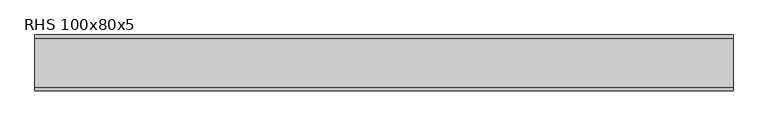
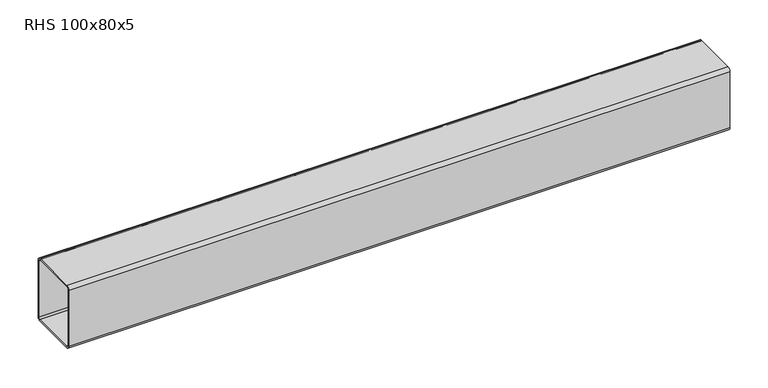
"""IFC4 building model written with IfcOpenShell, lengths in millimetres: beam geometry, RHS 100x80x5."""

from ifc_helpers import new_model, si_unit, point, frame, frame_2d, origin, place, context, project, spatial, polyline, circle_curve, trimmed, segment, composite_curve, outline, extrude, source, transform, mapped, element, save


def rhs_100x80x5_2f2ee580(model_context):
    return source(origin(), model_context, "Body", "SweptSolid", [
        extrude(outline(composite_curve([segment(polyline([(40.0, 45.0), (40.0, -45.0)]), True, "CONTINUOUS"), segment(trimmed(circle_curve(frame_2d((35.0, -45.0)), 5.0), [point((40.0, -45.0))], [point((35.0, -50.0))], False, "CARTESIAN"), True, "CONTINUOUS"), segment(polyline([(35.0, -50.0), (-35.0, -50.0)]), True, "CONTINUOUS"), segment(trimmed(circle_curve(frame_2d((-35.0, -45.0)), 5.0), [point((-35.0, -50.0))], [point((-40.0, -45.0))], False, "CARTESIAN"), True, "CONTINUOUS"), segment(polyline([(-40.0, -45.0), (-40.0, 45.0)]), True, "CONTINUOUS"), segment(trimmed(circle_curve(frame_2d((-35.0, 45.0)), 5.0), [point((-40.0, 45.0))], [point((-35.0, 50.0))], False, "CARTESIAN"), True, "CONTINUOUS"), segment(polyline([(-35.0, 50.0), (35.0, 50.0)]), True, "CONTINUOUS"), segment(trimmed(circle_curve(frame_2d((35.0, 45.0)), 5.0), [point((35.0, 50.0))], [point((40.0, 45.0))], False, "CARTESIAN"), True, "CONTINUOUS")], self_intersect=False), holes=[composite_curve([segment(trimmed(circle_curve(frame_2d((-35.0, 45.0)), 2.5), [point((-35.0, 47.5))], [point((-37.5, 45.0))], True, "CARTESIAN"), True, "CONTINUOUS"), segment(polyline([(-37.5, 45.0), (-37.5, -45.0)]), True, "CONTINUOUS"), segment(trimmed(circle_curve(frame_2d((-35.0, -45.0)), 2.5), [point((-37.5, -45.0))], [point((-35.0, -47.5))], True, "CARTESIAN"), True, "CONTINUOUS"), segment(polyline([(-35.0, -47.5), (35.0, -47.5)]), True, "CONTINUOUS"), segment(trimmed(circle_curve(frame_2d((35.0, -45.0)), 2.5), [point((35.0, -47.5))], [point((37.5, -45.0))], True, "CARTESIAN"), True, "CONTINUOUS"), segment(polyline([(37.5, -45.0), (37.5, 45.0)]), True, "CONTINUOUS"), segment(trimmed(circle_curve(frame_2d((35.0, 45.0)), 2.5), [point((37.5, 45.0))], [point((35.0, 47.5))], True, "CARTESIAN"), True, "CONTINUOUS"), segment(polyline([(35.0, 47.5), (-35.0, 47.5)]), True, "CONTINUOUS")], self_intersect=False)]), frame((-500.2477677, 0.0, 0.0), z_axis=(1.0, 0.0, 0.0), x_axis=(0.0, 1.0, 0.0)), (0.0, 0.0, 1.0), 1000.4955355),
    ])


if __name__ == "__main__":
    model = new_model("IFC4")
    model_context = context("Model", 3, world=origin())
    ifc_project = project(units=[si_unit("LENGTHUNIT", "METRE", prefix="MILLI")], contexts=[model_context])
    site = spatial("IfcSite", under=ifc_project)
    building = spatial("IfcBuilding", under=site)
    placement = place(None, origin())
    rhs_100x80x5_shape = rhs_100x80x5_2f2ee580(model_context)
    element("IfcBeam", 1, ObjectType="RHS 100x80x5", at=placement, inside=building, context=model_context, shape_type="MappedRepresentation", body=[
        mapped(rhs_100x80x5_shape, transform((0.0, 0.0, 0.0), x_axis=(1.0, 0.0, 0.0), y_axis=(0.0, 1.0, 0.0), z_axis=(0.0, 0.0, 1.0))),
    ])
    save(model, "model.ifc")
